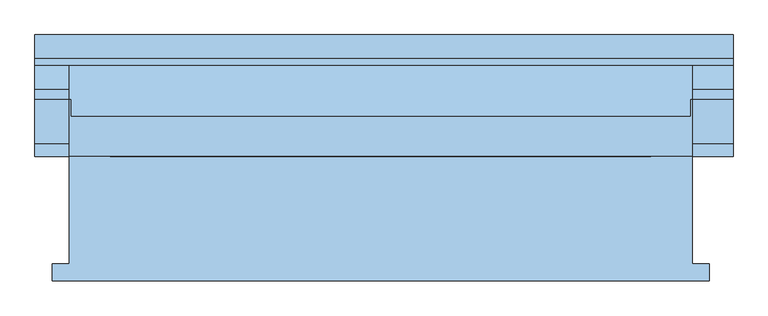
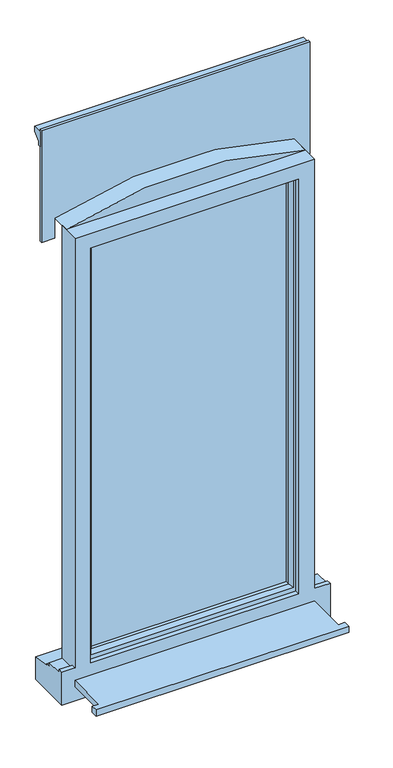
"""IFC4 building model written with IfcOpenShell, lengths in millimetres: window geometry."""

from ifc_helpers import new_model, si_unit, point, frame, frame_2d, origin, place, context, project, spatial, polyline, circle_curve, trimmed, segment, composite_curve, outline, extrude, faceted_brep, source, transform, mapped, element, save


def window_f410dfd0(model_context):
    return source(origin(), model_context, "Body", "SolidModel", [
        extrude(outline(polyline([(-480.0, -161.5434322), (-480.0, -136.5434322), (-455.0, -136.5434322), (-455.0, 20.4565678), (455.0, 20.4565678), (455.0, -136.5434322), (480.0, -136.5434322), (480.0, -161.5434322), (-480.0, -161.5434322)])), frame((0.0, 0.0, 310.0), z_axis=(0.0, 0.0, 1.0), x_axis=(1.0, 0.0, 0.0)), (0.0, 0.0, 1.0), 25.0),
        faceted_brep([(-455.0, 20.4565678, 2110.0), (-455.0, 20.4565678, 385.0), (-505.0, 20.4565678, 385.0), (-505.0, 20.4565678, 253.0), (515.0, 20.4565678, 253.0), (515.0, 20.4565678, 385.0), (455.0, 20.4565678, 385.0), (455.0, 20.4565678, 2110.0), (-395.0, 20.4565678, 2050.0), (395.0, 20.4565678, 2050.0), (395.0, 20.4565678, 385.0), (-395.0, 20.4565678, 385.0), (-455.0, 103.4565678, 2110.0), (-455.0, 103.4565678, 373.0), (-455.0, 38.4565678, 373.0), (-455.0, 38.4565678, 385.0), (455.0, 103.4565678, 2110.0), (455.0, 103.4565678, 373.0), (515.0, 103.4565678, 373.0), (515.0, 103.4565678, 361.0), (-505.0, 103.4565678, 361.0), (-505.0, 103.4565678, 373.0), (-415.0, 103.4565678, 2070.0), (-415.0, 103.4565678, 373.0), (415.0, 103.4565678, 373.0), (415.0, 103.4565678, 2070.0), (-415.0, 38.4565678, 2070.0), (-415.0, 38.4565678, 373.0), (415.0, 38.4565678, 2070.0), (415.0, 38.4565678, 373.0), (-395.0, 38.4565678, 2050.0), (-395.0, 38.4565678, 385.0), (395.0, 38.4565678, 385.0), (395.0, 38.4565678, 2050.0), (-505.0, 38.4565678, 373.0), (-505.0, 38.4565678, 385.0), (515.0, 38.4565678, 385.0), (515.0, 38.4565678, 373.0), (455.0, 38.4565678, 373.0), (455.0, 38.4565678, 385.0), (515.0, 190.9565678, 253.0), (-505.0, 190.9565678, 253.0), (515.0, 190.9565678, 343.8088847), (-505.0, 190.9565678, 343.8088847), (515.0, 118.4565678, 354.7449676), (-505.0, 118.4565678, 354.7449676), (515.0, 118.4565678, 359.68767), (-505.0, 118.4565678, 359.68767)], [[[0, 1, 2, 3, 4, 5, 6, 7], [8, 9, 10, 11]], [[0, 12, 13, 14, 15, 1]], [[13, 12, 16, 17, 18, 19, 20, 21], [22, 23, 24, 25]], [[23, 22, 26, 27]], [[26, 28, 29, 27], [30, 31, 32, 33]], [[34, 35, 15, 14]], [[36, 37, 38, 39]], [[30, 8, 11, 31]], [[0, 7, 16, 12]], [[22, 25, 28, 26]], [[9, 8, 30, 33]], [[17, 16, 7, 6, 39, 38]], [[25, 24, 29, 28]], [[9, 33, 32, 10]], [[40, 4, 3, 41]], [[42, 40, 41, 43]], [[44, 42, 43, 45]], [[46, 44, 45, 47]], [[19, 46, 47, 20]], [[27, 29, 24, 23]], [[37, 18, 17, 38]], [[21, 34, 14, 13]], [[11, 10, 32, 31]], [[5, 36, 39, 6]], [[35, 2, 1, 15]], [[5, 4, 40, 42, 44, 46, 19, 18, 37, 36]], [[2, 35, 34, 21, 20, 47, 45, 43, 41, 3]]]),
        extrude(outline(polyline([(385.0, 67.4565678), (-385.0, 67.4565678), (-385.0, 91.4565678), (385.0, 91.4565678), (385.0, 67.4565678)])), frame((0.0, 0.0, 403.0), z_axis=(0.0, 0.0, 1.0), x_axis=(1.0, 0.0, 0.0)), (0.0, 0.0, 1.0), 1637.0),
        faceted_brep([(-425.0, 103.4565678, 2080.0), (-425.0, 111.7300705, 2080.0), (-425.0, 111.7300705, 363.0), (-425.0, 103.4565678, 363.0), (-415.0, 38.4565678, 2070.0), (-415.0, 103.4565678, 2070.0), (-415.0, 103.4565678, 373.0), (-415.0, 38.4565678, 373.0), (-375.0, 52.9494677, 2030.0), (-385.1480377, 38.4565678, 2040.1480377), (-385.1480377, 38.4565678, 402.8519623), (-375.0, 52.9494677, 413.0), (-375.0, 67.4565678, 2030.0), (-375.0, 67.4565678, 413.0), (-385.0, 91.4565678, 2040.0), (-385.0, 67.4565678, 2040.0), (-385.0, 67.4565678, 403.0), (-385.0, 91.4565678, 403.0), (-375.0, 109.2300705, 2030.0), (-375.0, 91.4565678, 2030.0), (-375.0, 91.4565678, 413.0), (-375.0, 109.2300705, 413.0), (-392.4457548, 120.0035732, 2047.4457548), (-392.4457548, 120.0035732, 395.5542452), (-414.2153903, 120.0035732, 2069.2153903), (-414.2153903, 120.0035732, 373.7846097), (425.0, 111.7300705, 363.0), (425.0, 103.4565678, 363.0), (415.0, 103.4565678, 373.0), (415.0, 38.4565678, 373.0), (385.1480377, 38.4565678, 402.8519623), (375.0, 52.9494677, 413.0), (375.0, 67.4565678, 413.0), (385.0, 67.4565678, 403.0), (385.0, 91.4565678, 403.0), (375.0, 91.4565678, 413.0), (375.0, 109.2300705, 413.0), (392.4457548, 120.0035732, 395.5542452), (414.2153903, 120.0035732, 373.7846097), (425.0, 111.7300705, 2080.0), (425.0, 103.4565678, 2080.0), (415.0, 103.4565678, 2070.0), (415.0, 38.4565678, 2070.0), (385.1480377, 38.4565678, 2040.1480377), (375.0, 52.9494677, 2030.0), (375.0, 67.4565678, 2030.0), (385.0, 67.4565678, 2040.0), (385.0, 91.4565678, 2040.0), (375.0, 91.4565678, 2030.0), (375.0, 109.2300705, 2030.0), (392.4457548, 120.0035732, 2047.4457548), (414.2153903, 120.0035732, 2069.2153903)], [[[0, 1, 2, 3]], [[4, 5, 6, 7]], [[8, 9, 10, 11]], [[12, 8, 11, 13]], [[14, 15, 16, 17]], [[18, 19, 20, 21]], [[22, 18, 21, 23]], [[1, 24, 25, 2]], [[3, 2, 26, 27]], [[7, 6, 28, 29]], [[11, 10, 30, 31]], [[13, 11, 31, 32]], [[17, 16, 33, 34]], [[21, 20, 35, 36]], [[23, 21, 36, 37]], [[2, 25, 38, 26]], [[27, 26, 39, 40]], [[29, 28, 41, 42]], [[31, 30, 43, 44]], [[32, 31, 44, 45]], [[34, 33, 46, 47]], [[36, 35, 48, 49]], [[37, 36, 49, 50]], [[26, 38, 51, 39]], [[40, 39, 1, 0]], [[3, 27, 40, 0], [5, 41, 28, 6]], [[42, 41, 5, 4]], [[7, 29, 42, 4], [9, 43, 30, 10]], [[44, 43, 9, 8]], [[45, 44, 8, 12]], [[15, 46, 33, 16], [13, 32, 45, 12]], [[47, 46, 15, 14]], [[17, 34, 47, 14], [19, 48, 35, 20]], [[49, 48, 19, 18]], [[50, 49, 18, 22]], [[24, 51, 38, 25], [23, 37, 50, 22]], [[39, 51, 24, 1]]]),
        extrude(outline(polyline([(395.800695, -390.0), (395.800695, 390.0), (1236.5, 390.0), (1236.5, -390.0), (395.800695, -390.0)]), holes=[polyline([(1166.5, -320.0), (1166.5, 320.0), (465.800695, 320.0), (465.800695, -320.0), (1166.5, -320.0)])]), frame((0.0, 115.0035732, 0.0), z_axis=(0.0, 1.0, 0.0), x_axis=(0.0, 0.0, 1.0)), (0.0, 0.0, 1.0), 15.9529946),
        extrude(outline(polyline([(163.1390049, 2410.0), (163.1390049, 2470.0), (197.8877422, 2470.0), (197.8877422, 2449.7487373), (173.1390049, 2425.0), (173.1390049, 2410.0), (163.1390049, 2410.0)])), frame((-505.0, 0.0, 0.0), z_axis=(1.0, 0.0, 0.0), x_axis=(0.0, 1.0, 0.0)), (0.0, 0.0, 1.0), 1020.0),
        extrude(outline(composite_curve([segment(polyline([(2110.0, -455.0), (2110.0, 455.0)]), True, "CONTINUOUS"), segment(trimmed(circle_curve(frame_2d((680.6732354, 0.0)), 1500.0), [point((2110.0, 455.0))], [point((2110.0, -455.0))], False, "CARTESIAN"), True, "CONTINUOUS")], self_intersect=False)), frame((0.0, 79.3266096, 0.0), z_axis=(0.0, 1.0, 0.0), x_axis=(0.0, 0.0, 1.0)), (0.0, 0.0, 1.0), 80.3363325),
        extrude(outline(composite_curve([segment(polyline([(2030.0, 515.0), (2480.0, 515.0), (2480.0, -505.0), (2030.0, -505.0), (2030.0, -455.0), (2110.0, -455.0)]), True, "CONTINUOUS"), segment(trimmed(circle_curve(frame_2d((680.6732354, 0.0)), 1500.0), [point((2110.0, -455.0))], [point((2110.0, 455.0))], True, "CARTESIAN"), True, "CONTINUOUS"), segment(polyline([(2110.0, 455.0), (2030.0, 455.0), (2030.0, 515.0)]), True, "CONTINUOUS")], self_intersect=False)), frame((0.0, 153.4565678, 0.0), z_axis=(0.0, 1.0, 0.0), x_axis=(0.0, 0.0, 1.0)), (0.0, 0.0, 1.0), 9.682437),
        extrude(outline(polyline([(1201.5, -375.0), (1201.5, 375.0), (2030.0, 375.0), (2030.0, -375.0), (1201.5, -375.0)]), holes=[polyline([(1960.7039769, -305.7039769), (1960.7039769, 305.7039769), (1270.7960231, 305.7039769), (1270.7960231, -305.7039769), (1960.7039769, -305.7039769)])]), frame((0.0, 103.4565678, 0.0), z_axis=(0.0, 1.0, 0.0), x_axis=(0.0, 0.0, 1.0)), (0.0, 0.0, 1.0), 11.5470054),
    ])


if __name__ == "__main__":
    model = new_model("IFC4")
    model_context = context("Model", 3, world=origin())
    ifc_project = project(units=[si_unit("LENGTHUNIT", "METRE", prefix="MILLI")], contexts=[model_context])
    site = spatial("IfcSite", under=ifc_project)
    building = spatial("IfcBuilding", under=site)
    placement = place(None, origin())
    window_shape = window_f410dfd0(model_context)
    element("IfcWindow", 1, at=placement, inside=building, context=model_context, shape_type="MappedRepresentation", body=[
        mapped(window_shape, transform((0.0, 0.0, 0.0), x_axis=(1.0, 0.0, 0.0), y_axis=(0.0, 1.0, 0.0), z_axis=(0.0, 0.0, 1.0))),
    ])
    save(model, "model.ifc")
